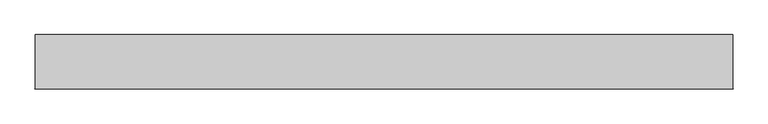
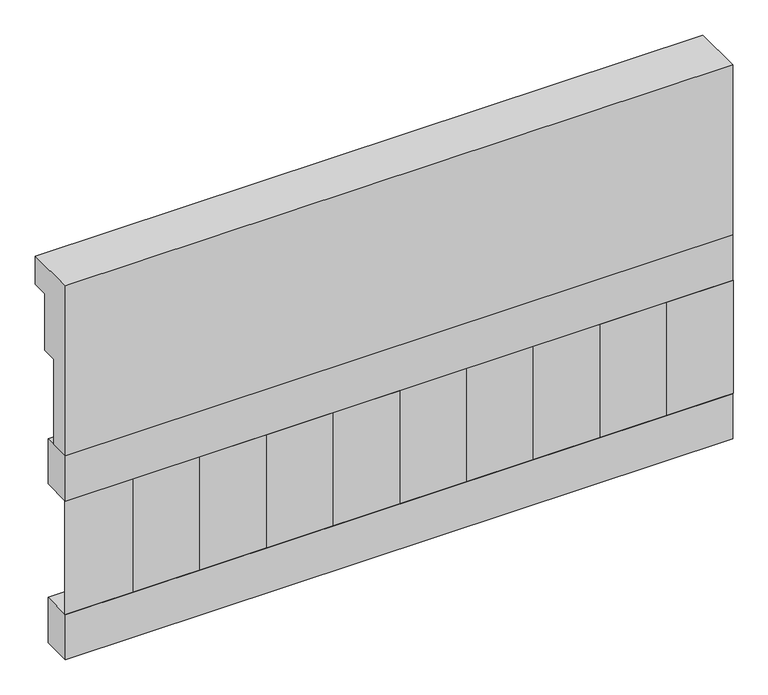
"""IFC4 building model written with IfcOpenShell, lengths in millimetres: railing geometry."""

from ifc_helpers import new_model, si_unit, frame, origin, place, context, project, spatial, polyline, outline, extrude, source, transform, mapped, element, save


def railing_01ff0072(model_context):
    return source(origin(), model_context, "Body", "SweptSolid", [
        extrude(outline(polyline([(903.1079487, 21800.0), (1033.1079487, 21800.0), (1033.1079487, 21725.0), (993.1079487, 21725.0), (993.1079487, 21575.0), (953.1079487, 21575.0), (953.1079487, 21350.0), (903.1079487, 21350.0), (903.1079487, 21800.0)])), frame((39990.0112841, 0.0, 0.0), z_axis=(1.0, 0.0, 0.0), x_axis=(0.0, 1.0, 0.0)), (0.0, 0.0, 1.0), 1670.0),
        extrude(outline(polyline([(41660.0112841, 978.1079487), (41660.0112841, 903.1079487), (39990.0112841, 903.1079487), (39990.0112841, 978.1079487), (41660.0112841, 978.1079487)])), frame((0.0, 0.0, 21230.0), z_axis=(0.0, 0.0, 1.0), x_axis=(1.0, 0.0, 0.0)), (0.0, 0.0, 1.0), 120.0),
        extrude(outline(polyline([(41660.0112841, 978.1079487), (41660.0112841, 903.1079487), (39990.0112841, 903.1079487), (39990.0112841, 978.1079487), (41660.0112841, 978.1079487)])), frame((0.0, 0.0, 20810.0), z_axis=(0.0, 0.0, 1.0), x_axis=(1.0, 0.0, 0.0)), (0.0, 0.0, 1.0), 120.0),
        extrude(outline(polyline([(40073.5112841, 987.9607624), (40158.3640978, 903.1079487), (39988.6584704, 903.1079487), (40073.5112841, 987.9607624)])), frame((0.0, 0.0, 20930.0), z_axis=(0.0, 0.0, 1.0), x_axis=(1.0, 0.0, 0.0)), (0.0, 0.0, 1.0), 300.0),
        extrude(outline(polyline([(40240.5112841, 987.9607624), (40325.3640978, 903.1079487), (40155.6584704, 903.1079487), (40240.5112841, 987.9607624)])), frame((0.0, 0.0, 20930.0), z_axis=(0.0, 0.0, 1.0), x_axis=(1.0, 0.0, 0.0)), (0.0, 0.0, 1.0), 300.0),
        extrude(outline(polyline([(40407.5112841, 987.9607624), (40492.3640978, 903.1079487), (40322.6584704, 903.1079487), (40407.5112841, 987.9607624)])), frame((0.0, 0.0, 20930.0), z_axis=(0.0, 0.0, 1.0), x_axis=(1.0, 0.0, 0.0)), (0.0, 0.0, 1.0), 300.0),
        extrude(outline(polyline([(40574.5112841, 987.9607624), (40659.3640978, 903.1079487), (40489.6584704, 903.1079487), (40574.5112841, 987.9607624)])), frame((0.0, 0.0, 20930.0), z_axis=(0.0, 0.0, 1.0), x_axis=(1.0, 0.0, 0.0)), (0.0, 0.0, 1.0), 300.0),
        extrude(outline(polyline([(40741.5112841, 987.9607624), (40826.3640978, 903.1079487), (40656.6584704, 903.1079487), (40741.5112841, 987.9607624)])), frame((0.0, 0.0, 20930.0), z_axis=(0.0, 0.0, 1.0), x_axis=(1.0, 0.0, 0.0)), (0.0, 0.0, 1.0), 300.0),
        extrude(outline(polyline([(40908.5112841, 987.9607624), (40993.3640978, 903.1079487), (40823.6584704, 903.1079487), (40908.5112841, 987.9607624)])), frame((0.0, 0.0, 20930.0), z_axis=(0.0, 0.0, 1.0), x_axis=(1.0, 0.0, 0.0)), (0.0, 0.0, 1.0), 300.0),
        extrude(outline(polyline([(41075.5112841, 987.9607624), (41160.3640978, 903.1079487), (40990.6584704, 903.1079487), (41075.5112841, 987.9607624)])), frame((0.0, 0.0, 20930.0), z_axis=(0.0, 0.0, 1.0), x_axis=(1.0, 0.0, 0.0)), (0.0, 0.0, 1.0), 300.0),
        extrude(outline(polyline([(41242.5112841, 987.9607624), (41327.3640978, 903.1079487), (41157.6584704, 903.1079487), (41242.5112841, 987.9607624)])), frame((0.0, 0.0, 20930.0), z_axis=(0.0, 0.0, 1.0), x_axis=(1.0, 0.0, 0.0)), (0.0, 0.0, 1.0), 300.0),
        extrude(outline(polyline([(41409.5112841, 987.9607624), (41494.3640978, 903.1079487), (41324.6584704, 903.1079487), (41409.5112841, 987.9607624)])), frame((0.0, 0.0, 20930.0), z_axis=(0.0, 0.0, 1.0), x_axis=(1.0, 0.0, 0.0)), (0.0, 0.0, 1.0), 300.0),
        extrude(outline(polyline([(41576.5112841, 987.9607624), (41661.3640978, 903.1079487), (41491.6584704, 903.1079487), (41576.5112841, 987.9607624)])), frame((0.0, 0.0, 20930.0), z_axis=(0.0, 0.0, 1.0), x_axis=(1.0, 0.0, 0.0)), (0.0, 0.0, 1.0), 300.0),
    ])


if __name__ == "__main__":
    model = new_model("IFC4")
    model_context = context("Model", 3, world=origin())
    ifc_project = project(units=[si_unit("LENGTHUNIT", "METRE", prefix="MILLI")], contexts=[model_context])
    site = spatial("IfcSite", under=ifc_project)
    building = spatial("IfcBuilding", under=site)
    placement = place(None, origin())
    railing_shape = railing_01ff0072(model_context)
    element("IfcRailing", 1, at=placement, inside=building, context=model_context, shape_type="MappedRepresentation", body=[
        mapped(railing_shape, transform((0.0, 0.0, 0.0), x_axis=(1.0, 0.0, 0.0), y_axis=(0.0, 1.0, 0.0), z_axis=(0.0, 0.0, 1.0))),
    ])
    save(model, "model.ifc")
